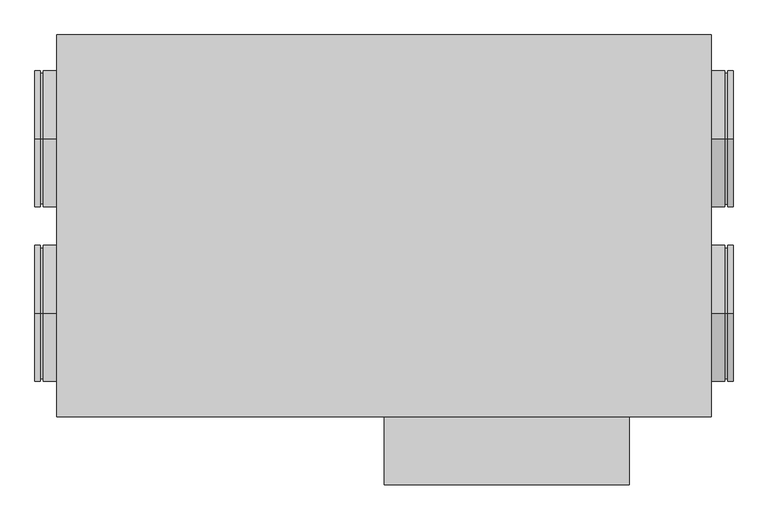
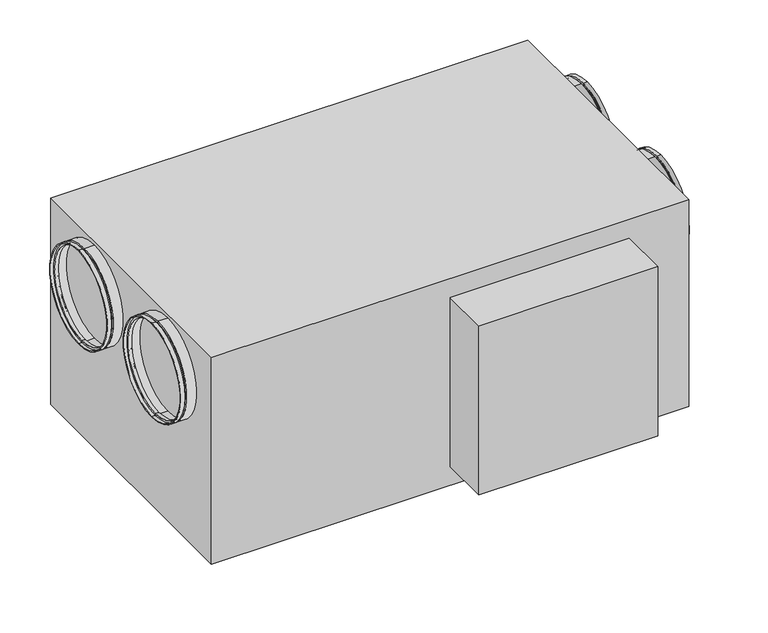
"""IFC4 building model written with IfcOpenShell, lengths in millimetres: proxy geometry."""

from ifc_helpers import new_model, si_unit, frame, origin, origin_with_axes, place, context, project, spatial, polyline, circle_curve, outline, extrude, source, transform, mapped, element, save
from ifc_brep_helpers import plane_surface, cylinder_surface, revolved_surface, advanced_brep


def mechanical_equipment_62da46dc(model_context):
    return source(origin(), model_context, "Body", "SolidModel", [
        advanced_brep(
        [(-630.0, -160.0, 540.0), (-630.0, -160.0, 290.0), (-640.0, -160.0, 290.0), (-640.0, -160.0, 540.0), (-630.0, -160.0, 535.0), (-630.0, -160.0, 295.0), (-625.0, -160.0, 535.0), (-625.0, -160.0, 295.0), (-625.0, -160.0, 540.0), (-625.0, -160.0, 290.0), (-600.0, -160.0, 540.0), (-600.0, -160.0, 290.0), (-600.0, -160.0, 538.0), (-600.0, -160.0, 292.0), (-623.0, -160.0, 538.0), (-623.0, -160.0, 292.0), (-623.0, -160.0, 533.0), (-623.0, -160.0, 297.0), (-632.0, -160.0, 533.0), (-632.0, -160.0, 297.0), (-632.0, -160.0, 538.0), (-632.0, -160.0, 292.0), (-640.0, -160.0, 538.0), (-640.0, -160.0, 292.0)],
        [
            (0, 1, circle_curve(frame((-630.0, -160.0, 415.0), z_axis=(-1.0, 0.0, 0.0), x_axis=(0.0, 0.0, -1.0)), 125.0)),
            (1, 2),
            (2, 3, circle_curve(frame((-640.0, -160.0, 415.0), z_axis=(1.0, 0.0, 0.0), x_axis=(0.0, 0.0, -1.0)), 125.0)),
            (3, 0),
            (1, 0, circle_curve(frame((-630.0, -160.0, 415.0), z_axis=(-1.0, 0.0, 0.0), x_axis=(0.0, 0.0, -1.0)), 125.0)),
            (3, 2, circle_curve(frame((-640.0, -160.0, 415.0), z_axis=(1.0, 0.0, 0.0), x_axis=(0.0, 0.0, -1.0)), 125.0)),
            (4, 5, circle_curve(frame((-630.0, -160.0, 415.0), z_axis=(-1.0, 0.0, 0.0), x_axis=(0.0, 0.0, -1.0)), 120.0)),
            (5, 1),
            (0, 4),
            (5, 4, circle_curve(frame((-630.0, -160.0, 415.0), z_axis=(-1.0, 0.0, 0.0), x_axis=(0.0, 0.0, -1.0)), 120.0)),
            (6, 7, circle_curve(frame((-625.0, -160.0, 415.0), z_axis=(-1.0, 0.0, 0.0), x_axis=(0.0, 0.0, -1.0)), 120.0)),
            (7, 5),
            (4, 6),
            (7, 6, circle_curve(frame((-625.0, -160.0, 415.0), z_axis=(-1.0, 0.0, 0.0), x_axis=(0.0, 0.0, -1.0)), 120.0)),
            (8, 9, circle_curve(frame((-625.0, -160.0, 415.0), z_axis=(-1.0, 0.0, 0.0), x_axis=(0.0, 0.0, -1.0)), 125.0)),
            (9, 7),
            (6, 8),
            (9, 8, circle_curve(frame((-625.0, -160.0, 415.0), z_axis=(-1.0, 0.0, 0.0), x_axis=(0.0, 0.0, -1.0)), 125.0)),
            (10, 11, circle_curve(frame((-600.0, -160.0, 415.0), z_axis=(-1.0, 0.0, 0.0), x_axis=(0.0, 0.0, -1.0)), 125.0)),
            (11, 9),
            (8, 10),
            (11, 10, circle_curve(frame((-600.0, -160.0, 415.0), z_axis=(-1.0, 0.0, 0.0), x_axis=(0.0, 0.0, -1.0)), 125.0)),
            (12, 13, circle_curve(frame((-600.0, -160.0, 415.0), z_axis=(-1.0, 0.0, 0.0), x_axis=(0.0, 0.0, -1.0)), 123.0)),
            (13, 11),
            (10, 12),
            (13, 12, circle_curve(frame((-600.0, -160.0, 415.0), z_axis=(-1.0, 0.0, 0.0), x_axis=(0.0, 0.0, -1.0)), 123.0)),
            (14, 15, circle_curve(frame((-623.0, -160.0, 415.0), z_axis=(-1.0, 0.0, 0.0), x_axis=(0.0, 0.0, -1.0)), 123.0)),
            (15, 13),
            (12, 14),
            (15, 14, circle_curve(frame((-623.0, -160.0, 415.0), z_axis=(-1.0, 0.0, 0.0), x_axis=(0.0, 0.0, -1.0)), 123.0)),
            (16, 17, circle_curve(frame((-623.0, -160.0, 415.0), z_axis=(-1.0, 0.0, 0.0), x_axis=(0.0, 0.0, -1.0)), 118.0)),
            (17, 15),
            (14, 16),
            (17, 16, circle_curve(frame((-623.0, -160.0, 415.0), z_axis=(-1.0, 0.0, 0.0), x_axis=(0.0, 0.0, -1.0)), 118.0)),
            (18, 19, circle_curve(frame((-632.0, -160.0, 415.0), z_axis=(-1.0, 0.0, 0.0), x_axis=(0.0, 0.0, -1.0)), 118.0)),
            (19, 17),
            (16, 18),
            (19, 18, circle_curve(frame((-632.0, -160.0, 415.0), z_axis=(-1.0, 0.0, 0.0), x_axis=(0.0, 0.0, -1.0)), 118.0)),
            (20, 21, circle_curve(frame((-632.0, -160.0, 415.0), z_axis=(-1.0, 0.0, 0.0), x_axis=(0.0, 0.0, -1.0)), 123.0)),
            (21, 19),
            (18, 20),
            (21, 20, circle_curve(frame((-632.0, -160.0, 415.0), z_axis=(-1.0, 0.0, 0.0), x_axis=(0.0, 0.0, -1.0)), 123.0)),
            (22, 23, circle_curve(frame((-640.0, -160.0, 415.0), z_axis=(-1.0, 0.0, 0.0), x_axis=(0.0, 0.0, -1.0)), 123.0)),
            (23, 21),
            (20, 22),
            (23, 22, circle_curve(frame((-640.0, -160.0, 415.0), z_axis=(-1.0, 0.0, 0.0), x_axis=(0.0, 0.0, -1.0)), 123.0)),
            (2, 23),
            (22, 3),
        ],
        [
            cylinder_surface(frame((-2175.0440172, -160.0, 415.0), z_axis=(1.0, 0.0, 0.0), x_axis=(0.0, 0.0, -1.0)), 125.0),
            plane_surface(frame((-630.0, -160.0, 415.0), z_axis=(1.0, 0.0, 0.0), x_axis=(0.0, 0.0, -1.0))),
            cylinder_surface(frame((-2175.0440172, -160.0, 415.0), z_axis=(1.0, 0.0, 0.0), x_axis=(0.0, 0.0, -1.0)), 120.0),
            plane_surface(frame((-625.0, -160.0, 415.0), z_axis=(-1.0, 0.0, 0.0), x_axis=(0.0, 0.0, -1.0))),
            plane_surface(frame((-600.0, -160.0, 415.0), z_axis=(1.0, 0.0, 0.0), x_axis=(0.0, 0.0, -1.0))),
            revolved_surface(polyline([(-600.0, -160.0, 292.0), (-623.0, -160.0, 292.0)]), (-2175.0440172, -160.0, 415.0), (1.0, 0.0, 0.0)),
            plane_surface(frame((-623.0, -160.0, 415.0), z_axis=(1.0, 0.0, 0.0), x_axis=(0.0, 0.0, -1.0))),
            revolved_surface(polyline([(-623.0, -160.0, 297.0), (-632.0, -160.0, 297.0)]), (-2175.0440172, -160.0, 415.0), (1.0, 0.0, 0.0)),
            plane_surface(frame((-632.0, -160.0, 415.0), z_axis=(-1.0, 0.0, 0.0), x_axis=(0.0, 0.0, -1.0))),
            revolved_surface(polyline([(-632.0, -160.0, 292.0), (-640.0, -160.0, 292.0)]), (-2175.0440172, -160.0, 415.0), (1.0, 0.0, 0.0)),
            plane_surface(frame((-640.0, -160.0, 415.0), z_axis=(-1.0, 0.0, 0.0), x_axis=(0.0, 0.0, -1.0))),
        ],
        [
            (0, [[1, 2, 3, 4]]),
            (0, [[5, -4, 6, -2]]),
            (1, [[7, 8, -1, 9]]),
            (1, [[10, -9, -5, -8]]),
            (2, [[11, 12, -7, 13]]),
            (2, [[14, -13, -10, -12]]),
            (3, [[15, 16, -11, 17]]),
            (3, [[18, -17, -14, -16]]),
            (0, [[19, 20, -15, 21]]),
            (0, [[22, -21, -18, -20]]),
            (4, [[23, 24, -19, 25]]),
            (4, [[26, -25, -22, -24]]),
            (5, [[27, 28, -23, 29]]),
            (5, [[30, -29, -26, -28]]),
            (6, [[31, 32, -27, 33]]),
            (6, [[34, -33, -30, -32]]),
            (7, [[35, 36, -31, 37]]),
            (7, [[38, -37, -34, -36]]),
            (8, [[39, 40, -35, 41]]),
            (8, [[42, -41, -38, -40]]),
            (9, [[43, 44, -39, 45]]),
            (9, [[46, -45, -42, -44]]),
            (10, [[-3, 47, -43, 48]]),
            (10, [[-6, -48, -46, -47]]),
        ],
    ),
        advanced_brep(
        [(-630.0, 160.0, 540.0), (-630.0, 160.0, 290.0), (-640.0, 160.0, 290.0), (-640.0, 160.0, 540.0), (-630.0, 160.0, 535.0), (-630.0, 160.0, 295.0), (-625.0, 160.0, 535.0), (-625.0, 160.0, 295.0), (-625.0, 160.0, 540.0), (-625.0, 160.0, 290.0), (-600.0, 160.0, 540.0), (-600.0, 160.0, 290.0), (-600.0, 160.0, 538.0), (-600.0, 160.0, 292.0), (-623.0, 160.0, 538.0), (-623.0, 160.0, 292.0), (-623.0, 160.0, 533.0), (-623.0, 160.0, 297.0), (-632.0, 160.0, 533.0), (-632.0, 160.0, 297.0), (-632.0, 160.0, 538.0), (-632.0, 160.0, 292.0), (-640.0, 160.0, 538.0), (-640.0, 160.0, 292.0)],
        [
            (0, 1, circle_curve(frame((-630.0, 160.0, 415.0), z_axis=(-1.0, 0.0, 0.0), x_axis=(0.0, 0.0, -1.0)), 125.0)),
            (1, 2),
            (2, 3, circle_curve(frame((-640.0, 160.0, 415.0), z_axis=(1.0, 0.0, 0.0), x_axis=(0.0, 0.0, -1.0)), 125.0)),
            (3, 0),
            (1, 0, circle_curve(frame((-630.0, 160.0, 415.0), z_axis=(-1.0, 0.0, 0.0), x_axis=(0.0, 0.0, -1.0)), 125.0)),
            (3, 2, circle_curve(frame((-640.0, 160.0, 415.0), z_axis=(1.0, 0.0, 0.0), x_axis=(0.0, 0.0, -1.0)), 125.0)),
            (4, 5, circle_curve(frame((-630.0, 160.0, 415.0), z_axis=(-1.0, 0.0, 0.0), x_axis=(0.0, 0.0, -1.0)), 120.0)),
            (5, 1),
            (0, 4),
            (5, 4, circle_curve(frame((-630.0, 160.0, 415.0), z_axis=(-1.0, 0.0, 0.0), x_axis=(0.0, 0.0, -1.0)), 120.0)),
            (6, 7, circle_curve(frame((-625.0, 160.0, 415.0), z_axis=(-1.0, 0.0, 0.0), x_axis=(0.0, 0.0, -1.0)), 120.0)),
            (7, 5),
            (4, 6),
            (7, 6, circle_curve(frame((-625.0, 160.0, 415.0), z_axis=(-1.0, 0.0, 0.0), x_axis=(0.0, 0.0, -1.0)), 120.0)),
            (8, 9, circle_curve(frame((-625.0, 160.0, 415.0), z_axis=(-1.0, 0.0, 0.0), x_axis=(0.0, 0.0, -1.0)), 125.0)),
            (9, 7),
            (6, 8),
            (9, 8, circle_curve(frame((-625.0, 160.0, 415.0), z_axis=(-1.0, 0.0, 0.0), x_axis=(0.0, 0.0, -1.0)), 125.0)),
            (10, 11, circle_curve(frame((-600.0, 160.0, 415.0), z_axis=(-1.0, 0.0, 0.0), x_axis=(0.0, 0.0, -1.0)), 125.0)),
            (11, 9),
            (8, 10),
            (11, 10, circle_curve(frame((-600.0, 160.0, 415.0), z_axis=(-1.0, 0.0, 0.0), x_axis=(0.0, 0.0, -1.0)), 125.0)),
            (12, 13, circle_curve(frame((-600.0, 160.0, 415.0), z_axis=(-1.0, 0.0, 0.0), x_axis=(0.0, 0.0, -1.0)), 123.0)),
            (13, 11),
            (10, 12),
            (13, 12, circle_curve(frame((-600.0, 160.0, 415.0), z_axis=(-1.0, 0.0, 0.0), x_axis=(0.0, 0.0, -1.0)), 123.0)),
            (14, 15, circle_curve(frame((-623.0, 160.0, 415.0), z_axis=(-1.0, 0.0, 0.0), x_axis=(0.0, 0.0, -1.0)), 123.0)),
            (15, 13),
            (12, 14),
            (15, 14, circle_curve(frame((-623.0, 160.0, 415.0), z_axis=(-1.0, 0.0, 0.0), x_axis=(0.0, 0.0, -1.0)), 123.0)),
            (16, 17, circle_curve(frame((-623.0, 160.0, 415.0), z_axis=(-1.0, 0.0, 0.0), x_axis=(0.0, 0.0, -1.0)), 118.0)),
            (17, 15),
            (14, 16),
            (17, 16, circle_curve(frame((-623.0, 160.0, 415.0), z_axis=(-1.0, 0.0, 0.0), x_axis=(0.0, 0.0, -1.0)), 118.0)),
            (18, 19, circle_curve(frame((-632.0, 160.0, 415.0), z_axis=(-1.0, 0.0, 0.0), x_axis=(0.0, 0.0, -1.0)), 118.0)),
            (19, 17),
            (16, 18),
            (19, 18, circle_curve(frame((-632.0, 160.0, 415.0), z_axis=(-1.0, 0.0, 0.0), x_axis=(0.0, 0.0, -1.0)), 118.0)),
            (20, 21, circle_curve(frame((-632.0, 160.0, 415.0), z_axis=(-1.0, 0.0, 0.0), x_axis=(0.0, 0.0, -1.0)), 123.0)),
            (21, 19),
            (18, 20),
            (21, 20, circle_curve(frame((-632.0, 160.0, 415.0), z_axis=(-1.0, 0.0, 0.0), x_axis=(0.0, 0.0, -1.0)), 123.0)),
            (22, 23, circle_curve(frame((-640.0, 160.0, 415.0), z_axis=(-1.0, 0.0, 0.0), x_axis=(0.0, 0.0, -1.0)), 123.0)),
            (23, 21),
            (20, 22),
            (23, 22, circle_curve(frame((-640.0, 160.0, 415.0), z_axis=(-1.0, 0.0, 0.0), x_axis=(0.0, 0.0, -1.0)), 123.0)),
            (2, 23),
            (22, 3),
        ],
        [
            cylinder_surface(frame((-2175.0440172, 160.0, 415.0), z_axis=(1.0, 0.0, 0.0), x_axis=(0.0, 0.0, -1.0)), 125.0),
            plane_surface(frame((-630.0, 160.0, 415.0), z_axis=(1.0, 0.0, 0.0), x_axis=(0.0, 0.0, -1.0))),
            cylinder_surface(frame((-2175.0440172, 160.0, 415.0), z_axis=(1.0, 0.0, 0.0), x_axis=(0.0, 0.0, -1.0)), 120.0),
            plane_surface(frame((-625.0, 160.0, 415.0), z_axis=(-1.0, 0.0, 0.0), x_axis=(0.0, 0.0, -1.0))),
            plane_surface(frame((-600.0, 160.0, 415.0), z_axis=(1.0, 0.0, 0.0), x_axis=(0.0, 0.0, -1.0))),
            revolved_surface(polyline([(-600.0, 160.0, 292.0), (-623.0, 160.0, 292.0)]), (-2175.0440172, 160.0, 415.0), (1.0, 0.0, 0.0)),
            plane_surface(frame((-623.0, 160.0, 415.0), z_axis=(1.0, 0.0, 0.0), x_axis=(0.0, 0.0, -1.0))),
            revolved_surface(polyline([(-623.0, 160.0, 297.0), (-632.0, 160.0, 297.0)]), (-2175.0440172, 160.0, 415.0), (1.0, 0.0, 0.0)),
            plane_surface(frame((-632.0, 160.0, 415.0), z_axis=(-1.0, 0.0, 0.0), x_axis=(0.0, 0.0, -1.0))),
            revolved_surface(polyline([(-632.0, 160.0, 292.0), (-640.0, 160.0, 292.0)]), (-2175.0440172, 160.0, 415.0), (1.0, 0.0, 0.0)),
            plane_surface(frame((-640.0, 160.0, 415.0), z_axis=(-1.0, 0.0, 0.0), x_axis=(0.0, 0.0, -1.0))),
        ],
        [
            (0, [[1, 2, 3, 4]]),
            (0, [[5, -4, 6, -2]]),
            (1, [[7, 8, -1, 9]]),
            (1, [[10, -9, -5, -8]]),
            (2, [[11, 12, -7, 13]]),
            (2, [[14, -13, -10, -12]]),
            (3, [[15, 16, -11, 17]]),
            (3, [[18, -17, -14, -16]]),
            (0, [[19, 20, -15, 21]]),
            (0, [[22, -21, -18, -20]]),
            (4, [[23, 24, -19, 25]]),
            (4, [[26, -25, -22, -24]]),
            (5, [[27, 28, -23, 29]]),
            (5, [[30, -29, -26, -28]]),
            (6, [[31, 32, -27, 33]]),
            (6, [[34, -33, -30, -32]]),
            (7, [[35, 36, -31, 37]]),
            (7, [[38, -37, -34, -36]]),
            (8, [[39, 40, -35, 41]]),
            (8, [[42, -41, -38, -40]]),
            (9, [[43, 44, -39, 45]]),
            (9, [[46, -45, -42, -44]]),
            (10, [[-3, 47, -43, 48]]),
            (10, [[-6, -48, -46, -47]]),
        ],
    ),
        advanced_brep(
        [(630.0, 160.0, 290.0), (630.0, 160.0, 540.0), (640.0, 160.0, 540.0), (640.0, 160.0, 290.0), (630.0, 160.0, 295.0), (630.0, 160.0, 535.0), (625.0, 160.0, 295.0), (625.0, 160.0, 535.0), (625.0, 160.0, 290.0), (625.0, 160.0, 540.0), (600.0, 160.0, 290.0), (600.0, 160.0, 540.0), (600.0, 160.0, 292.0), (600.0, 160.0, 538.0), (623.0, 160.0, 292.0), (623.0, 160.0, 538.0), (623.0, 160.0, 297.0), (623.0, 160.0, 533.0), (632.0, 160.0, 297.0), (632.0, 160.0, 533.0), (632.0, 160.0, 292.0), (632.0, 160.0, 538.0), (640.0, 160.0, 292.0), (640.0, 160.0, 538.0)],
        [
            (0, 1, circle_curve(frame((630.0, 160.0, 415.0), z_axis=(1.0, 0.0, 0.0), x_axis=(0.0, 0.0, 1.0)), 125.0)),
            (1, 2),
            (2, 3, circle_curve(frame((640.0, 160.0, 415.0), z_axis=(-1.0, 0.0, 0.0), x_axis=(0.0, 0.0, 1.0)), 125.0)),
            (3, 0),
            (1, 0, circle_curve(frame((630.0, 160.0, 415.0), z_axis=(1.0, 0.0, 0.0), x_axis=(0.0, 0.0, 1.0)), 125.0)),
            (3, 2, circle_curve(frame((640.0, 160.0, 415.0), z_axis=(-1.0, 0.0, 0.0), x_axis=(0.0, 0.0, 1.0)), 125.0)),
            (4, 5, circle_curve(frame((630.0, 160.0, 415.0), z_axis=(1.0, 0.0, 0.0), x_axis=(0.0, 0.0, 1.0)), 120.0)),
            (5, 1),
            (0, 4),
            (5, 4, circle_curve(frame((630.0, 160.0, 415.0), z_axis=(1.0, 0.0, 0.0), x_axis=(0.0, 0.0, 1.0)), 120.0)),
            (6, 7, circle_curve(frame((625.0, 160.0, 415.0), z_axis=(1.0, 0.0, 0.0), x_axis=(0.0, 0.0, 1.0)), 120.0)),
            (7, 5),
            (4, 6),
            (7, 6, circle_curve(frame((625.0, 160.0, 415.0), z_axis=(1.0, 0.0, 0.0), x_axis=(0.0, 0.0, 1.0)), 120.0)),
            (8, 9, circle_curve(frame((625.0, 160.0, 415.0), z_axis=(1.0, 0.0, 0.0), x_axis=(0.0, 0.0, 1.0)), 125.0)),
            (9, 7),
            (6, 8),
            (9, 8, circle_curve(frame((625.0, 160.0, 415.0), z_axis=(1.0, 0.0, 0.0), x_axis=(0.0, 0.0, 1.0)), 125.0)),
            (10, 11, circle_curve(frame((600.0, 160.0, 415.0), z_axis=(1.0, 0.0, 0.0), x_axis=(0.0, 0.0, 1.0)), 125.0)),
            (11, 9),
            (8, 10),
            (11, 10, circle_curve(frame((600.0, 160.0, 415.0), z_axis=(1.0, 0.0, 0.0), x_axis=(0.0, 0.0, 1.0)), 125.0)),
            (12, 13, circle_curve(frame((600.0, 160.0, 415.0), z_axis=(1.0, 0.0, 0.0), x_axis=(0.0, 0.0, 1.0)), 123.0)),
            (13, 11),
            (10, 12),
            (13, 12, circle_curve(frame((600.0, 160.0, 415.0), z_axis=(1.0, 0.0, 0.0), x_axis=(0.0, 0.0, 1.0)), 123.0)),
            (14, 15, circle_curve(frame((623.0, 160.0, 415.0), z_axis=(1.0, 0.0, 0.0), x_axis=(0.0, 0.0, 1.0)), 123.0)),
            (15, 13),
            (12, 14),
            (15, 14, circle_curve(frame((623.0, 160.0, 415.0), z_axis=(1.0, 0.0, 0.0), x_axis=(0.0, 0.0, 1.0)), 123.0)),
            (16, 17, circle_curve(frame((623.0, 160.0, 415.0), z_axis=(1.0, 0.0, 0.0), x_axis=(0.0, 0.0, 1.0)), 118.0)),
            (17, 15),
            (14, 16),
            (17, 16, circle_curve(frame((623.0, 160.0, 415.0), z_axis=(1.0, 0.0, 0.0), x_axis=(0.0, 0.0, 1.0)), 118.0)),
            (18, 19, circle_curve(frame((632.0, 160.0, 415.0), z_axis=(1.0, 0.0, 0.0), x_axis=(0.0, 0.0, 1.0)), 118.0)),
            (19, 17),
            (16, 18),
            (19, 18, circle_curve(frame((632.0, 160.0, 415.0), z_axis=(1.0, 0.0, 0.0), x_axis=(0.0, 0.0, 1.0)), 118.0)),
            (20, 21, circle_curve(frame((632.0, 160.0, 415.0), z_axis=(1.0, 0.0, 0.0), x_axis=(0.0, 0.0, 1.0)), 123.0)),
            (21, 19),
            (18, 20),
            (21, 20, circle_curve(frame((632.0, 160.0, 415.0), z_axis=(1.0, 0.0, 0.0), x_axis=(0.0, 0.0, 1.0)), 123.0)),
            (22, 23, circle_curve(frame((640.0, 160.0, 415.0), z_axis=(1.0, 0.0, 0.0), x_axis=(0.0, 0.0, 1.0)), 123.0)),
            (23, 21),
            (20, 22),
            (23, 22, circle_curve(frame((640.0, 160.0, 415.0), z_axis=(1.0, 0.0, 0.0), x_axis=(0.0, 0.0, 1.0)), 123.0)),
            (2, 23),
            (22, 3),
        ],
        [
            cylinder_surface(frame((2175.0440172, 160.0, 415.0), z_axis=(-1.0, 0.0, 0.0), x_axis=(0.0, 0.0, 1.0)), 125.0),
            plane_surface(frame((630.0, 160.0, 415.0), z_axis=(-1.0, 0.0, 0.0), x_axis=(0.0, 0.0, 1.0))),
            cylinder_surface(frame((2175.0440172, 160.0, 415.0), z_axis=(-1.0, 0.0, 0.0), x_axis=(0.0, 0.0, 1.0)), 120.0),
            plane_surface(frame((625.0, 160.0, 415.0), z_axis=(1.0, 0.0, 0.0), x_axis=(0.0, 0.0, 1.0))),
            plane_surface(frame((600.0, 160.0, 415.0), z_axis=(-1.0, 0.0, 0.0), x_axis=(0.0, 0.0, 1.0))),
            revolved_surface(polyline([(600.0, 160.0, 538.0), (623.0, 160.0, 538.0)]), (2175.0440172, 160.0, 415.0), (-1.0, 0.0, 0.0)),
            plane_surface(frame((623.0, 160.0, 415.0), z_axis=(-1.0, 0.0, 0.0), x_axis=(0.0, 0.0, 1.0))),
            revolved_surface(polyline([(623.0, 160.0, 533.0), (632.0, 160.0, 533.0)]), (2175.0440172, 160.0, 415.0), (-1.0, 0.0, 0.0)),
            plane_surface(frame((632.0, 160.0, 415.0), z_axis=(1.0, 0.0, 0.0), x_axis=(0.0, 0.0, 1.0))),
            revolved_surface(polyline([(632.0, 160.0, 538.0), (640.0, 160.0, 538.0)]), (2175.0440172, 160.0, 415.0), (-1.0, 0.0, 0.0)),
            plane_surface(frame((640.0, 160.0, 415.0), z_axis=(1.0, 0.0, 0.0), x_axis=(0.0, 0.0, 1.0))),
        ],
        [
            (0, [[1, 2, 3, 4]]),
            (0, [[5, -4, 6, -2]]),
            (1, [[7, 8, -1, 9]]),
            (1, [[10, -9, -5, -8]]),
            (2, [[11, 12, -7, 13]]),
            (2, [[14, -13, -10, -12]]),
            (3, [[15, 16, -11, 17]]),
            (3, [[18, -17, -14, -16]]),
            (0, [[19, 20, -15, 21]]),
            (0, [[22, -21, -18, -20]]),
            (4, [[23, 24, -19, 25]]),
            (4, [[26, -25, -22, -24]]),
            (5, [[27, 28, -23, 29]]),
            (5, [[30, -29, -26, -28]]),
            (6, [[31, 32, -27, 33]]),
            (6, [[34, -33, -30, -32]]),
            (7, [[35, 36, -31, 37]]),
            (7, [[38, -37, -34, -36]]),
            (8, [[39, 40, -35, 41]]),
            (8, [[42, -41, -38, -40]]),
            (9, [[43, 44, -39, 45]]),
            (9, [[46, -45, -42, -44]]),
            (10, [[-3, 47, -43, 48]]),
            (10, [[-6, -48, -46, -47]]),
        ],
    ),
        advanced_brep(
        [(630.0, -160.0, 290.0), (630.0, -160.0, 540.0), (640.0, -160.0, 540.0), (640.0, -160.0, 290.0), (630.0, -160.0, 295.0), (630.0, -160.0, 535.0), (625.0, -160.0, 295.0), (625.0, -160.0, 535.0), (625.0, -160.0, 290.0), (625.0, -160.0, 540.0), (600.0, -160.0, 290.0), (600.0, -160.0, 540.0), (600.0, -160.0, 292.0), (600.0, -160.0, 538.0), (623.0, -160.0, 292.0), (623.0, -160.0, 538.0), (623.0, -160.0, 297.0), (623.0, -160.0, 533.0), (632.0, -160.0, 297.0), (632.0, -160.0, 533.0), (632.0, -160.0, 292.0), (632.0, -160.0, 538.0), (640.0, -160.0, 292.0), (640.0, -160.0, 538.0)],
        [
            (0, 1, circle_curve(frame((630.0, -160.0, 415.0), z_axis=(1.0, 0.0, 0.0), x_axis=(0.0, 0.0, 1.0)), 125.0)),
            (1, 2),
            (2, 3, circle_curve(frame((640.0, -160.0, 415.0), z_axis=(-1.0, 0.0, 0.0), x_axis=(0.0, 0.0, 1.0)), 125.0)),
            (3, 0),
            (1, 0, circle_curve(frame((630.0, -160.0, 415.0), z_axis=(1.0, 0.0, 0.0), x_axis=(0.0, 0.0, 1.0)), 125.0)),
            (3, 2, circle_curve(frame((640.0, -160.0, 415.0), z_axis=(-1.0, 0.0, 0.0), x_axis=(0.0, 0.0, 1.0)), 125.0)),
            (4, 5, circle_curve(frame((630.0, -160.0, 415.0), z_axis=(1.0, 0.0, 0.0), x_axis=(0.0, 0.0, 1.0)), 120.0)),
            (5, 1),
            (0, 4),
            (5, 4, circle_curve(frame((630.0, -160.0, 415.0), z_axis=(1.0, 0.0, 0.0), x_axis=(0.0, 0.0, 1.0)), 120.0)),
            (6, 7, circle_curve(frame((625.0, -160.0, 415.0), z_axis=(1.0, 0.0, 0.0), x_axis=(0.0, 0.0, 1.0)), 120.0)),
            (7, 5),
            (4, 6),
            (7, 6, circle_curve(frame((625.0, -160.0, 415.0), z_axis=(1.0, 0.0, 0.0), x_axis=(0.0, 0.0, 1.0)), 120.0)),
            (8, 9, circle_curve(frame((625.0, -160.0, 415.0), z_axis=(1.0, 0.0, 0.0), x_axis=(0.0, 0.0, 1.0)), 125.0)),
            (9, 7),
            (6, 8),
            (9, 8, circle_curve(frame((625.0, -160.0, 415.0), z_axis=(1.0, 0.0, 0.0), x_axis=(0.0, 0.0, 1.0)), 125.0)),
            (10, 11, circle_curve(frame((600.0, -160.0, 415.0), z_axis=(1.0, 0.0, 0.0), x_axis=(0.0, 0.0, 1.0)), 125.0)),
            (11, 9),
            (8, 10),
            (11, 10, circle_curve(frame((600.0, -160.0, 415.0), z_axis=(1.0, 0.0, 0.0), x_axis=(0.0, 0.0, 1.0)), 125.0)),
            (12, 13, circle_curve(frame((600.0, -160.0, 415.0), z_axis=(1.0, 0.0, 0.0), x_axis=(0.0, 0.0, 1.0)), 123.0)),
            (13, 11),
            (10, 12),
            (13, 12, circle_curve(frame((600.0, -160.0, 415.0), z_axis=(1.0, 0.0, 0.0), x_axis=(0.0, 0.0, 1.0)), 123.0)),
            (14, 15, circle_curve(frame((623.0, -160.0, 415.0), z_axis=(1.0, 0.0, 0.0), x_axis=(0.0, 0.0, 1.0)), 123.0)),
            (15, 13),
            (12, 14),
            (15, 14, circle_curve(frame((623.0, -160.0, 415.0), z_axis=(1.0, 0.0, 0.0), x_axis=(0.0, 0.0, 1.0)), 123.0)),
            (16, 17, circle_curve(frame((623.0, -160.0, 415.0), z_axis=(1.0, 0.0, 0.0), x_axis=(0.0, 0.0, 1.0)), 118.0)),
            (17, 15),
            (14, 16),
            (17, 16, circle_curve(frame((623.0, -160.0, 415.0), z_axis=(1.0, 0.0, 0.0), x_axis=(0.0, 0.0, 1.0)), 118.0)),
            (18, 19, circle_curve(frame((632.0, -160.0, 415.0), z_axis=(1.0, 0.0, 0.0), x_axis=(0.0, 0.0, 1.0)), 118.0)),
            (19, 17),
            (16, 18),
            (19, 18, circle_curve(frame((632.0, -160.0, 415.0), z_axis=(1.0, 0.0, 0.0), x_axis=(0.0, 0.0, 1.0)), 118.0)),
            (20, 21, circle_curve(frame((632.0, -160.0, 415.0), z_axis=(1.0, 0.0, 0.0), x_axis=(0.0, 0.0, 1.0)), 123.0)),
            (21, 19),
            (18, 20),
            (21, 20, circle_curve(frame((632.0, -160.0, 415.0), z_axis=(1.0, 0.0, 0.0), x_axis=(0.0, 0.0, 1.0)), 123.0)),
            (22, 23, circle_curve(frame((640.0, -160.0, 415.0), z_axis=(1.0, 0.0, 0.0), x_axis=(0.0, 0.0, 1.0)), 123.0)),
            (23, 21),
            (20, 22),
            (23, 22, circle_curve(frame((640.0, -160.0, 415.0), z_axis=(1.0, 0.0, 0.0), x_axis=(0.0, 0.0, 1.0)), 123.0)),
            (2, 23),
            (22, 3),
        ],
        [
            cylinder_surface(frame((2175.0440172, -160.0, 415.0), z_axis=(-1.0, 0.0, 0.0), x_axis=(0.0, 0.0, 1.0)), 125.0),
            plane_surface(frame((630.0, -160.0, 415.0), z_axis=(-1.0, 0.0, 0.0), x_axis=(0.0, 0.0, 1.0))),
            cylinder_surface(frame((2175.0440172, -160.0, 415.0), z_axis=(-1.0, 0.0, 0.0), x_axis=(0.0, 0.0, 1.0)), 120.0),
            plane_surface(frame((625.0, -160.0, 415.0), z_axis=(1.0, 0.0, 0.0), x_axis=(0.0, 0.0, 1.0))),
            plane_surface(frame((600.0, -160.0, 415.0), z_axis=(-1.0, 0.0, 0.0), x_axis=(0.0, 0.0, 1.0))),
            revolved_surface(polyline([(600.0, -160.0, 538.0), (623.0, -160.0, 538.0)]), (2175.0440172, -160.0, 415.0), (-1.0, 0.0, 0.0)),
            plane_surface(frame((623.0, -160.0, 415.0), z_axis=(-1.0, 0.0, 0.0), x_axis=(0.0, 0.0, 1.0))),
            revolved_surface(polyline([(623.0, -160.0, 533.0), (632.0, -160.0, 533.0)]), (2175.0440172, -160.0, 415.0), (-1.0, 0.0, 0.0)),
            plane_surface(frame((632.0, -160.0, 415.0), z_axis=(1.0, 0.0, 0.0), x_axis=(0.0, 0.0, 1.0))),
            revolved_surface(polyline([(632.0, -160.0, 538.0), (640.0, -160.0, 538.0)]), (2175.0440172, -160.0, 415.0), (-1.0, 0.0, 0.0)),
            plane_surface(frame((640.0, -160.0, 415.0), z_axis=(1.0, 0.0, 0.0), x_axis=(0.0, 0.0, 1.0))),
        ],
        [
            (0, [[1, 2, 3, 4]]),
            (0, [[5, -4, 6, -2]]),
            (1, [[7, 8, -1, 9]]),
            (1, [[10, -9, -5, -8]]),
            (2, [[11, 12, -7, 13]]),
            (2, [[14, -13, -10, -12]]),
            (3, [[15, 16, -11, 17]]),
            (3, [[18, -17, -14, -16]]),
            (0, [[19, 20, -15, 21]]),
            (0, [[22, -21, -18, -20]]),
            (4, [[23, 24, -19, 25]]),
            (4, [[26, -25, -22, -24]]),
            (5, [[27, 28, -23, 29]]),
            (5, [[30, -29, -26, -28]]),
            (6, [[31, 32, -27, 33]]),
            (6, [[34, -33, -30, -32]]),
            (7, [[35, 36, -31, 37]]),
            (7, [[38, -37, -34, -36]]),
            (8, [[39, 40, -35, 41]]),
            (8, [[42, -41, -38, -40]]),
            (9, [[43, 44, -39, 45]]),
            (9, [[46, -45, -42, -44]]),
            (10, [[-3, 47, -43, 48]]),
            (10, [[-6, -48, -46, -47]]),
        ],
    ),
        extrude(outline(polyline([(-600.0, 350.0), (600.0, 350.0), (600.0, -350.0), (-600.0, -350.0), (-600.0, 350.0)])), origin_with_axes(), (0.0, 0.0, 1.0), 550.0),
        extrude(outline(polyline([(450.0, -475.0), (0.0, -475.0), (0.0, -350.0), (450.0, -350.0), (450.0, -475.0)])), frame((0.0, 0.0, 50.0), z_axis=(0.0, 0.0, 1.0), x_axis=(1.0, 0.0, 0.0)), (0.0, 0.0, 1.0), 450.0),
    ])


if __name__ == "__main__":
    model = new_model("IFC4")
    model_context = context("Model", 3, world=origin())
    ifc_project = project(units=[si_unit("LENGTHUNIT", "METRE", prefix="MILLI")], contexts=[model_context])
    site = spatial("IfcSite", under=ifc_project)
    building = spatial("IfcBuilding", under=site)
    placement = place(None, origin())
    mechanical_equipment_shape = mechanical_equipment_62da46dc(model_context)
    element("IfcBuildingElementProxy", 1, Name="Mechanical Equipment", at=placement, inside=building, context=model_context, shape_type="MappedRepresentation", body=[
        mapped(mechanical_equipment_shape, transform((0.0, 0.0, 0.0), x_axis=(1.0, 0.0, 0.0), y_axis=(0.0, 1.0, 0.0), z_axis=(0.0, 0.0, 1.0))),
    ])
    save(model, "model.ifc")
